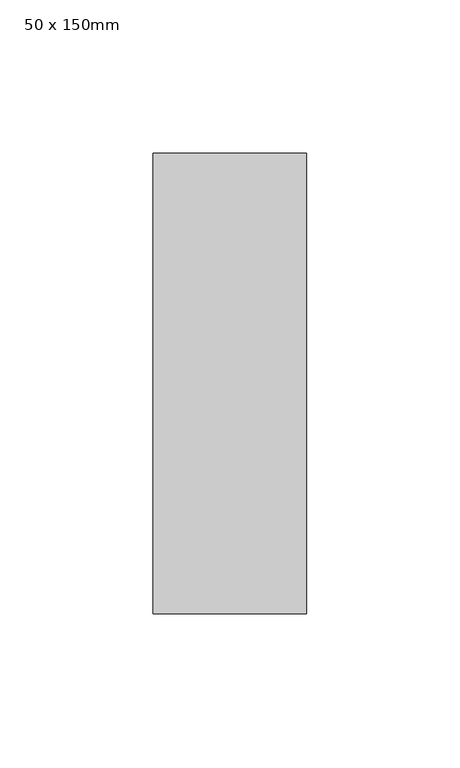
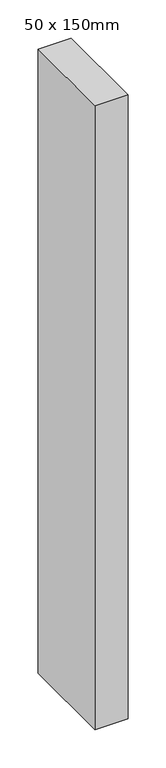
"""IFC4 building model written with IfcOpenShell, lengths in millimetres: member geometry, 50 x 150mm."""

import ifcopenshell
import ifcopenshell.guid

model = None  # the IFC model being written
_history = None  # IfcOwnerHistory: only IFC2X3 demands one
_inside = {}  # id of a spatial element -> (the spatial element, [elements in it])
_under = {}  # id of a project, library or spatial element -> (it, [spatial elements below it])
_declared = {}  # id of a project -> (the project, [libraries it declares])
_typed = {}  # id of a type object -> (the type object, [elements of that type])
_made_of = {}  # id of a material, layer set ... -> (it, [elements and type objects made of it])


def new_model(schema):
    """Start an empty IFC model of exactly this schema.

    Asked for "IFC4X3", IfcOpenShell would pick the latest addendum, in which some entities
    have other attributes; the version numbers below select the first issue.
    IFC2X3 requires an IfcOwnerHistory on every rooted entity: one is made here for all.
    """
    global model, _history
    if schema == "IFC4X3":
        model = ifcopenshell.file(schema_version=(4, 3, 0, 0))
    else:
        model = ifcopenshell.file(schema=schema)
    _inside.clear()
    _under.clear()
    _declared.clear()
    _typed.clear()
    _made_of.clear()
    _history = None
    if model.schema == "IFC2X3":
        org = make("IfcOrganization", Name="unknown")
        user = make(
            "IfcPersonAndOrganization",
            ThePerson=make("IfcPerson", FamilyName="unknown"),
            TheOrganization=org,
        )
        app = make(
            "IfcApplication",
            ApplicationDeveloper=org,
            Version="unknown",
            ApplicationFullName="unknown",
            ApplicationIdentifier="unknown",
        )
        _history = make(
            "IfcOwnerHistory",
            OwningUser=user,
            OwningApplication=app,
            ChangeAction="ADDED",
            CreationDate=0,
        )
    return model


def make(cls, **values):
    """One entity of the class cls with the attributes given. An attribute that is None is left unset."""
    return model.create_entity(
        cls, **{name: value for name, value in values.items() if value is not None}
    )


def rooted(cls, **values):
    """An entity with a GlobalId (a new one), such as an element, a storey or a relation."""
    return make(cls, GlobalId=ifcopenshell.guid.new(), OwnerHistory=_history, **values)


def si_unit(unit_type, name, prefix=None):
    """IfcSIUnit, for example si_unit("LENGTHUNIT", "METRE", prefix="MILLI")."""
    return make("IfcSIUnit", UnitType=unit_type, Prefix=prefix, Name=name)


def assignment(units):
    """IfcUnitAssignment: the units of a project."""
    return None if units is None else make("IfcUnitAssignment", Units=units)


def point(xyz):
    """IfcCartesianPoint."""
    return None if xyz is None else make("IfcCartesianPoint", Coordinates=xyz)


def direction(xyz):
    """IfcDirection."""
    return None if xyz is None else make("IfcDirection", DirectionRatios=xyz)


def frame(location, z_axis=None, x_axis=None):
    """IfcAxis2Placement3D, a coordinate frame: its origin and axes. An axis left out is left unset."""
    return make(
        "IfcAxis2Placement3D",
        Location=point(location),
        Axis=direction(z_axis),
        RefDirection=direction(x_axis),
    )


def origin():
    """The frame at (0, 0, 0) with its axes left unset."""
    return frame((0.0, 0.0, 0.0))


def place(relative_to, where):
    """IfcLocalPlacement: puts the frame where relative to a parent placement (None: the world)."""
    return make(
        "IfcLocalPlacement", PlacementRelTo=relative_to, RelativePlacement=where
    )


def context(
    kind, dimensions, precision=None, world=None, true_north=None, identifier=None
):
    """IfcGeometricRepresentationContext, for example the 3D "Model" context."""
    return make(
        "IfcGeometricRepresentationContext",
        ContextIdentifier=identifier,
        ContextType=kind,
        CoordinateSpaceDimension=dimensions,
        Precision=precision,
        WorldCoordinateSystem=world,
        TrueNorth=true_north,
    )


def project(units=None, contexts=None):
    """IfcProject with its units and contexts."""
    return rooted(
        "IfcProject",
        Name="project",
        RepresentationContexts=contexts,
        UnitsInContext=assignment(units),
    )


def spatial(cls, under=None, at=None, **own):
    """A site, building, storey or space (cls), placed at a placement, below another one or the project."""
    s = rooted(cls, ObjectPlacement=at, **own)
    if under is not None:
        _under.setdefault(under.id(), (under, []))[1].append(s)
    return s


def polyline(points):
    """IfcPolyline through the points."""
    return make("IfcPolyline", Points=[point(p) for p in points])


def outline(outer, holes=None, kind="AREA"):
    """IfcArbitraryClosedProfileDef: a profile drawn as a closed curve; with holes, ...WithVoids."""
    if holes is None:
        return make("IfcArbitraryClosedProfileDef", ProfileType=kind, OuterCurve=outer)
    return make(
        "IfcArbitraryProfileDefWithVoids",
        ProfileType=kind,
        OuterCurve=outer,
        InnerCurves=holes,
    )


def extrude(swept, where, along, depth):
    """IfcExtrudedAreaSolid: the profile swept, set in the frame where, extruded along a direction by depth."""
    return make(
        "IfcExtrudedAreaSolid",
        SweptArea=swept,
        Position=where,
        ExtrudedDirection=direction(along),
        Depth=depth,
    )


def shape(context_of_items, identifier, shape_type, items):
    """IfcShapeRepresentation: the items that make up one representation, for example the "Body"."""
    return make(
        "IfcShapeRepresentation",
        ContextOfItems=context_of_items,
        RepresentationIdentifier=identifier,
        RepresentationType=shape_type,
        Items=items,
    )


def source(mapping_origin, context_of_items, identifier, shape_type, items):
    """IfcRepresentationMap: a shape defined once, which mapped items show again and again."""
    return make(
        "IfcRepresentationMap",
        MappingOrigin=mapping_origin,
        MappedRepresentation=shape(context_of_items, identifier, shape_type, items),
    )


def transform(
    local_origin,
    x_axis=None,
    y_axis=None,
    z_axis=None,
    scale=None,
    scale2=None,
    scale3=None,
    uniform=True,
):
    """IfcCartesianTransformationOperator3D, or its non-uniform kind. x_axis, y_axis, z_axis: its Axis1, 2, 3."""
    if uniform:
        return make(
            "IfcCartesianTransformationOperator3D",
            Axis1=direction(x_axis),
            Axis2=direction(y_axis),
            LocalOrigin=point(local_origin),
            Scale=scale,
            Axis3=direction(z_axis),
        )
    return make(
        "IfcCartesianTransformationOperator3DnonUniform",
        Axis1=direction(x_axis),
        Axis2=direction(y_axis),
        LocalOrigin=point(local_origin),
        Scale=scale,
        Axis3=direction(z_axis),
        Scale2=scale2,
        Scale3=scale3,
    )


def mapped(mapping_source, mapping_target):
    """IfcMappedItem: shows the shape of a source again, moved by a transform."""
    return make(
        "IfcMappedItem", MappingSource=mapping_source, MappingTarget=mapping_target
    )


def made_of(thing, what):
    """Note that an element or type object is made of a material, layer set ...; save() writes the relation."""
    if what is not None:
        _made_of.setdefault(what.id(), (what, []))[1].append(thing)
    return thing


def element(
    cls,
    number,
    at=None,
    inside=None,
    cuts=None,
    type_object=None,
    material=None,
    context=None,
    identifier="Body",
    shape_type=None,
    held_by="IfcProductDefinitionShape",
    body=None,
    shapes=None,
    **own,
):
    """One element of the class cls, such as IfcWall. Its Tag is "e" and its number.

    at: its placement. inside: the storey or other place that contains it. cuts: it is an
    opening in that element (IfcRelVoidsElement). A single representation is given by context,
    identifier, shape_type and body (its items); several are given by shapes. held_by: the class
    of the entity that holds the representations. save() writes the other relations.
    """
    e = rooted(cls, Tag="e%d" % number, ObjectPlacement=at, **own)
    if body is not None:
        shapes = [shape(context, identifier, shape_type, body)]
    if shapes is not None:
        e.Representation = make(held_by, Representations=shapes)
    if inside is not None:
        _inside.setdefault(inside.id(), (inside, []))[1].append(e)
    if cuts is not None:
        rooted(
            "IfcRelVoidsElement", RelatingBuildingElement=cuts, RelatedOpeningElement=e
        )
    if type_object is not None:
        _typed.setdefault(type_object.id(), (type_object, []))[1].append(e)
    return made_of(e, material)


def aggregate(whole, parts):
    """IfcRelAggregates: a whole, such as a stair, and the parts it consists of."""
    return rooted("IfcRelAggregates", RelatingObject=whole, RelatedObjects=parts)


def save(model, path):
    """Write the relations noted so far, then the file.

    IfcRelAggregates (storeys below a building ...), IfcRelContainedInSpatialStructure (elements
    in a storey), IfcRelDefinesByType, IfcRelAssociatesMaterial and IfcRelDeclares: one each for
    every whole, place, type object, material and project.
    """
    for whole, parts in _under.values():
        aggregate(whole, parts)
    for where, things in _inside.values():
        rooted(
            "IfcRelContainedInSpatialStructure",
            RelatedElements=things,
            RelatingStructure=where,
        )
    for kind, things in _typed.values():
        rooted("IfcRelDefinesByType", RelatedObjects=things, RelatingType=kind)
    for what, things in _made_of.values():
        rooted("IfcRelAssociatesMaterial", RelatedObjects=things, RelatingMaterial=what)
    for by, libraries in _declared.values():
        rooted("IfcRelDeclares", RelatingContext=by, RelatedDefinitions=libraries)
    model.write(path)


def member_50_x_150mm_eeb88b28(model_context):
    return source(origin(), model_context, "Body", "SweptSolid", [
        extrude(outline(polyline([(0.0, 75.0), (0.0, -75.0), (-50.0, -75.0), (-50.0, 75.0), (0.0, 75.0)])), frame((0.0, 0.0, -1000.0), z_axis=(0.0, 0.0, 1.0), x_axis=(1.0, 0.0, 0.0)), (0.0, 0.0, 1.0), 1000.0),
    ])


if __name__ == "__main__":
    model = new_model("IFC4")
    model_context = context("Model", 3, world=origin())
    ifc_project = project(units=[si_unit("LENGTHUNIT", "METRE", prefix="MILLI")], contexts=[model_context])
    site = spatial("IfcSite", under=ifc_project)
    building = spatial("IfcBuilding", under=site)
    placement = place(None, origin())
    member_50_x_150mm_shape = member_50_x_150mm_eeb88b28(model_context)
    element("IfcMember", 1, ObjectType="50 x 150mm", at=placement, inside=building, context=model_context, shape_type="MappedRepresentation", body=[
        mapped(member_50_x_150mm_shape, transform((0.0, 0.0, 0.0), x_axis=(1.0, 0.0, 0.0), y_axis=(0.0, 1.0, 0.0), z_axis=(0.0, 0.0, 1.0))),
    ])
    save(model, "model.ifc")
